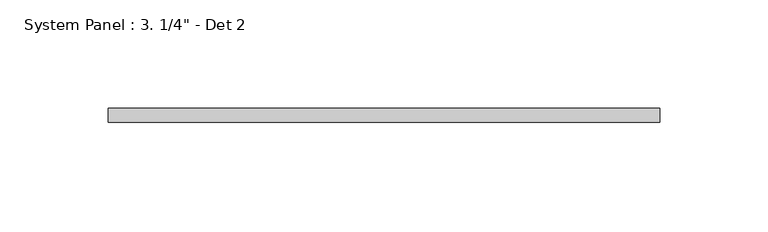
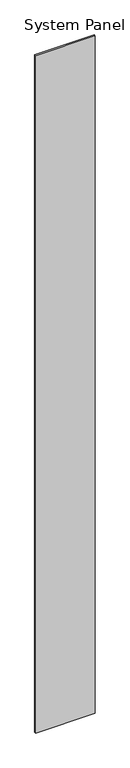
"""IFC4 building model written with IfcOpenShell, lengths in millimetres: plate geometry."""

from ifc_helpers import new_model, si_unit, origin, origin_with_axes, place, context, project, spatial, polyline, outline, extrude, source, transform, mapped, element, save


def plate_71db6d0a(model_context):
    return source(origin(), model_context, "Body", "SweptSolid", [
        extrude(outline(polyline([(127.0, 0.0), (-127.0, 0.0), (-127.0, 6.35), (127.0, 6.35), (127.0, 0.0)])), origin_with_axes(), (0.0, 0.0, 1.0), 3048.0),
    ])


if __name__ == "__main__":
    model = new_model("IFC4")
    model_context = context("Model", 3, world=origin())
    ifc_project = project(units=[si_unit("LENGTHUNIT", "METRE", prefix="MILLI")], contexts=[model_context])
    site = spatial("IfcSite", under=ifc_project)
    building = spatial("IfcBuilding", under=site)
    placement = place(None, origin())
    plate_shape = plate_71db6d0a(model_context)
    element("IfcPlate", 1, ObjectType="System Panel : 3. 1/4\" - Det 2", at=placement, inside=building, context=model_context, shape_type="MappedRepresentation", body=[
        mapped(plate_shape, transform((0.0, 0.0, 0.0), x_axis=(1.0, 0.0, 0.0), y_axis=(0.0, 1.0, 0.0), z_axis=(0.0, 0.0, 1.0))),
    ])
    save(model, "model.ifc")
